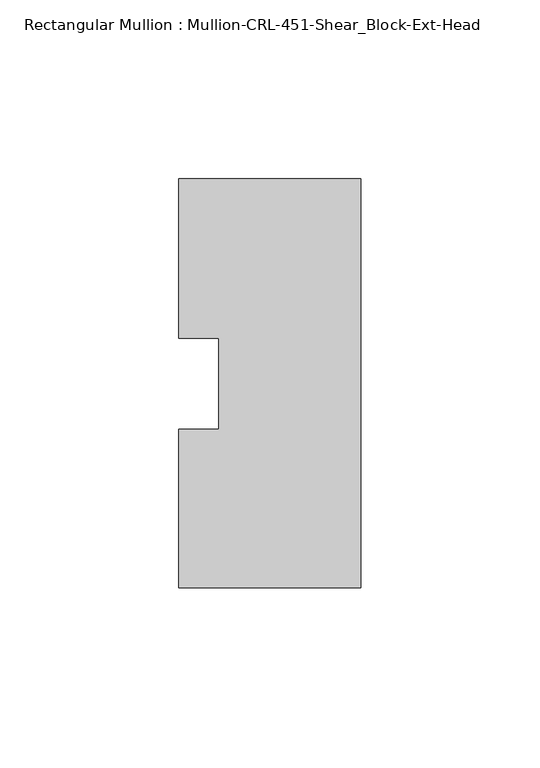
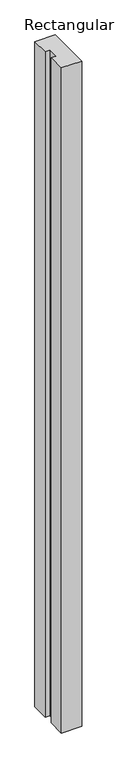
"""IFC4 building model written with IfcOpenShell, lengths in millimetres: member geometry, Rectangular Mullion : Mullion-CRL-451-Shear_Block-Ext-Head."""

from ifc_helpers import new_model, si_unit, frame, origin, place, context, project, spatial, polyline, outline, extrude, source, transform, mapped, element, save


def rectangular_mullion_mullion_crl_451_shear_block_ext_head_52bf9435(model_context):
    return source(origin(), model_context, "Body", "SweptSolid", [
        extrude(outline(polyline([(0.0, 57.1909821), (0.0, -57.1090179), (-50.8, -57.1090179), (-50.8, -12.7), (-39.6875, -12.7), (-39.6875, 12.7), (-50.8, 12.7), (-50.8, 57.1909821), (0.0, 57.1909821)])), frame((0.0, 0.0, -1752.6), z_axis=(0.0, 0.0, 1.0), x_axis=(1.0, 0.0, 0.0)), (0.0, 0.0, 1.0), 1752.6),
    ])


if __name__ == "__main__":
    model = new_model("IFC4")
    model_context = context("Model", 3, world=origin())
    ifc_project = project(units=[si_unit("LENGTHUNIT", "METRE", prefix="MILLI")], contexts=[model_context])
    site = spatial("IfcSite", under=ifc_project)
    building = spatial("IfcBuilding", under=site)
    placement = place(None, origin())
    rectangular_mullion_mullion_crl_451_shear_block_ext_head_shape = rectangular_mullion_mullion_crl_451_shear_block_ext_head_52bf9435(model_context)
    element("IfcMember", 1, ObjectType="Rectangular Mullion : Mullion-CRL-451-Shear_Block-Ext-Head", at=placement, inside=building, context=model_context, shape_type="MappedRepresentation", body=[
        mapped(rectangular_mullion_mullion_crl_451_shear_block_ext_head_shape, transform((0.0, 0.0, 0.0), x_axis=(1.0, 0.0, 0.0), y_axis=(0.0, 1.0, 0.0), z_axis=(0.0, 0.0, 1.0))),
    ])
    save(model, "model.ifc")
